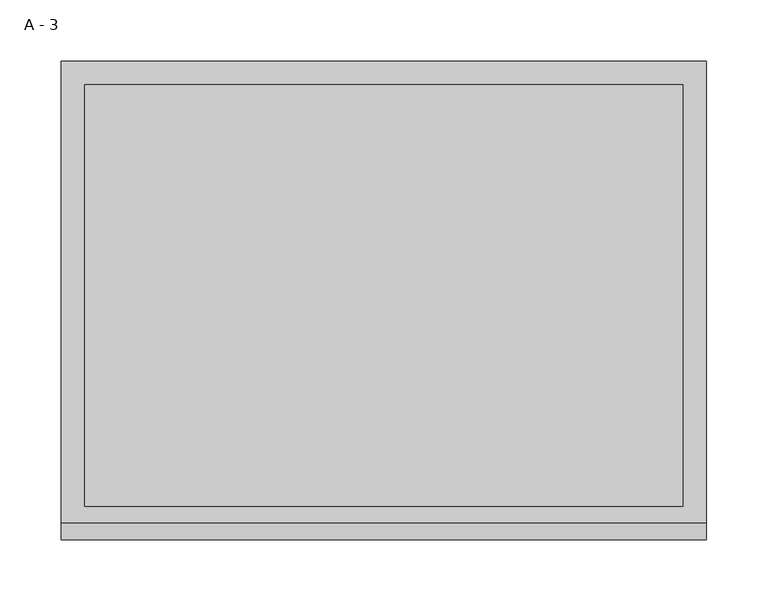
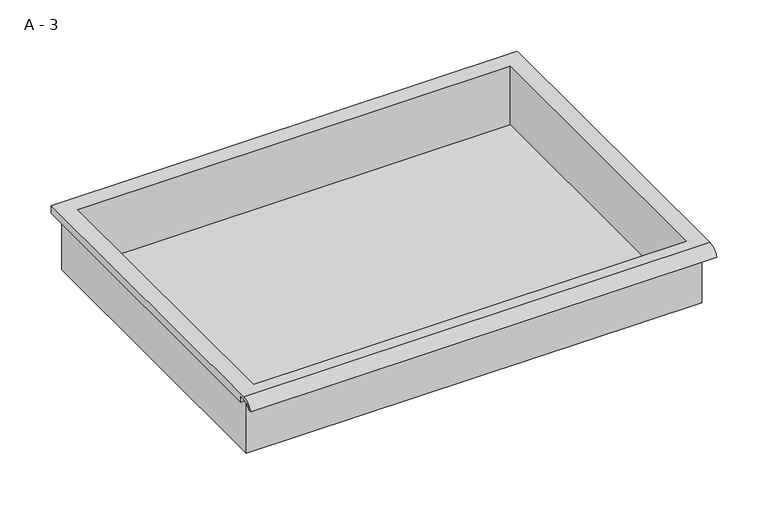
"""IFC4 building model written with IfcOpenShell, lengths in millimetres: furniture geometry, A - 3."""

from ifc_helpers import new_model, si_unit, frame, origin, place, context, project, spatial, polyline, circle_curve, source, transform, mapped, element, save
from ifc_brep_helpers import plane_surface, cylinder_surface, revolved_surface, advanced_brep


def a_3_02789125(model_context):
    return source(origin(), model_context, "Body", "AdvancedBrep", [
        advanced_brep(
        [(-257.1076517, -176.2125, 822.325), (257.2423483, -176.2125, 822.325), (257.2423483, -176.2125, 885.825), (263.5923483, -176.2125, 885.825), (263.5923483, -176.2125, 892.1321341), (-263.4576517, -176.2125, 892.1321341), (-263.4576517, -176.2125, 885.825), (-257.1076517, -176.2125, 885.825), (257.2423483, 185.7375, 822.325), (-257.1076517, 185.7375, 822.325), (-257.1076517, 185.7375, 885.825), (257.2423483, 185.7375, 885.825), (263.5923483, -181.6070544, 895.35), (263.5923483, 195.2625, 895.35), (-263.4576517, 195.2625, 895.35), (-263.4576517, -181.6070544, 895.35), (244.5423483, -168.275, 895.35), (-244.4076517, -168.275, 895.35), (-244.4076517, 176.2125, 895.35), (244.5423483, 176.2125, 895.35), (263.5923483, -195.2625, 885.825), (263.5923483, -191.8280601, 885.825), (263.5923483, -180.4714815, 892.1321341), (263.5923483, 195.2625, 885.825), (-263.4576517, 195.2625, 885.825), (-263.4576517, -180.4714815, 892.1321341), (-263.4576517, -191.8280601, 885.825), (-263.4576517, -195.2625, 885.825), (-244.4076517, -168.275, 825.3511719), (244.5423483, -168.275, 825.3511719), (244.5423483, 176.2125, 825.3511719), (-244.4076517, 176.2125, 825.3511719)],
        [
            (0, 1),
            (1, 2),
            (2, 3),
            (3, 4),
            (4, 5),
            (5, 6),
            (6, 7),
            (7, 0),
            (8, 9),
            (9, 10),
            (10, 11),
            (11, 8),
            (0, 9),
            (8, 1),
            (11, 2),
            (12, 13),
            (13, 14),
            (14, 15),
            (15, 12),
            (16, 17),
            (17, 18),
            (18, 19),
            (19, 16),
            (7, 10),
            (12, 20, circle_curve(frame((263.5923483, -181.6070544, 880.7989859), z_axis=(1.0, 0.0, 0.0), x_axis=(0.0, 1.0, 0.0)), 14.5510141)),
            (20, 21),
            (21, 22, circle_curve(frame((263.5923483, -181.6070544, 880.7989859), z_axis=(-1.0, 0.0, 0.0), x_axis=(0.0, 1.0, 0.0)), 11.3898979)),
            (22, 4),
            (3, 23),
            (23, 13),
            (14, 24),
            (24, 6),
            (5, 25),
            (25, 26, circle_curve(frame((-263.4576517, -181.6070544, 880.7989859), z_axis=(1.0, 0.0, 0.0), x_axis=(0.0, 1.0, 0.0)), 11.3898979)),
            (26, 27),
            (27, 15, circle_curve(frame((-263.4576517, -181.6070544, 880.7989859), z_axis=(-1.0, 0.0, 0.0), x_axis=(0.0, 1.0, 0.0)), 14.5510141)),
            (27, 20),
            (26, 21),
            (25, 22),
            (24, 23),
            (28, 29),
            (29, 30),
            (30, 31),
            (31, 28),
            (28, 17),
            (16, 29),
            (19, 30),
            (18, 31),
        ],
        [
            plane_surface(frame((257.2423483, -176.2125, 822.325), z_axis=(0.0, -1.0, 0.0), x_axis=(1.0, 0.0, 0.0))),
            plane_surface(frame((257.2423483, 185.7375, 822.325), z_axis=(0.0, 1.0, 0.0), x_axis=(-1.0, 0.0, 0.0))),
            plane_surface(frame((-257.1076517, -176.2125, 822.325), z_axis=(0.0, 0.0, -1.0), x_axis=(0.0, 1.0, 0.0))),
            plane_surface(frame((257.2423483, -176.2125, 822.325), z_axis=(1.0, 0.0, 0.0), x_axis=(0.0, 1.0, 0.0))),
            plane_surface(frame((257.2423483, -176.2125, 895.35), z_axis=(0.0, 0.0, 1.0), x_axis=(0.0, 1.0, 0.0))),
            plane_surface(frame((-257.1076517, -176.2125, 895.35), z_axis=(-1.0, 0.0, 0.0), x_axis=(0.0, 1.0, 0.0))),
            plane_surface(frame((263.5923483, 195.2625, 895.35), z_axis=(1.0, 0.0, 0.0), x_axis=(0.0, -1.0, 0.0))),
            plane_surface(frame((-263.4576517, 195.2625, 895.35), z_axis=(-1.0, 0.0, 0.0), x_axis=(0.0, 1.0, 0.0))),
            cylinder_surface(frame((-263.4576517, -181.6070544, 880.7989859), z_axis=(1.0, 0.0, 0.0), x_axis=(0.0, 1.0, 0.0)), 14.5510141),
            plane_surface(frame((263.5923483, -195.2625, 885.825), z_axis=(0.0, -7.291233251776929e-12, -1.0), x_axis=(-1.0, 0.0, 0.0))),
            revolved_surface(polyline([(-263.4576517, -170.21715650000002, 880.7989859), (263.59234829999997, -170.21715650000002, 880.7989859)]), (-263.4576517, -181.6070544, 880.7989859), (-1.0, 0.0, 0.0)),
            plane_surface(frame((263.5923483, -180.4714815, 892.1321341), z_axis=(0.0, -1.8020319608165788e-11, -1.0), x_axis=(-1.0, 0.0, 0.0))),
            plane_surface(frame((263.5923483, -176.2125, 885.825), z_axis=(0.0, 0.0, -1.0), x_axis=(-1.0, 0.0, 0.0))),
            plane_surface(frame((263.5923483, 195.2625, 885.825), z_axis=(0.0, 1.0, 0.0), x_axis=(-1.0, 0.0, 0.0))),
            plane_surface(frame((244.5423483, -168.275, 825.3511719), z_axis=(0.0, 0.0, 1.0), x_axis=(-1.0, 0.0, 0.0))),
            plane_surface(frame((-244.4076517, -168.275, 895.35), z_axis=(0.0, 1.0, 0.0), x_axis=(0.0, 0.0, -1.0))),
            plane_surface(frame((244.5423483, -168.275, 895.35), z_axis=(-1.0, 0.0, 0.0), x_axis=(0.0, 0.0, -1.0))),
            plane_surface(frame((244.5423483, 176.2125, 895.35), z_axis=(0.0, -1.0, 0.0), x_axis=(0.0, 0.0, -1.0))),
            plane_surface(frame((-244.4076517, 176.2125, 895.35), z_axis=(1.0, 0.0, 0.0), x_axis=(0.0, 0.0, -1.0))),
        ],
        [
            (0, [[1, 2, 3, 4, 5, 6, 7, 8]]),
            (1, [[9, 10, 11, 12]]),
            (2, [[-1, 13, -9, 14]]),
            (3, [[-14, -12, 15, -2]]),
            (4, [[16, 17, 18, 19], [20, 21, 22, 23]]),
            (5, [[-13, -8, 24, -10]]),
            (6, [[-16, 25, 26, 27, 28, -4, 29, 30]]),
            (7, [[31, 32, -6, 33, 34, 35, 36, -18]]),
            (8, [[-25, -19, -36, 37]]),
            (9, [[-26, -37, -35, 38]]),
            (10, [[-27, -38, -34, 39]]),
            (11, [[-28, -39, -33, -5]]),
            (12, [[-29, -3, -15, -11, -24, -7, -32, 40]]),
            (13, [[-30, -40, -31, -17]]),
            (14, [[41, 42, 43, 44]]),
            (15, [[-41, 45, -20, 46]]),
            (16, [[-42, -46, -23, 47]]),
            (17, [[-43, -47, -22, 48]]),
            (18, [[-44, -48, -21, -45]]),
        ],
    ),
    ])


if __name__ == "__main__":
    model = new_model("IFC4")
    model_context = context("Model", 3, world=origin())
    ifc_project = project(units=[si_unit("LENGTHUNIT", "METRE", prefix="MILLI")], contexts=[model_context])
    site = spatial("IfcSite", under=ifc_project)
    building = spatial("IfcBuilding", under=site)
    placement = place(None, origin())
    a_3_shape = a_3_02789125(model_context)
    element("IfcFurniture", 1, ObjectType="A - 3", at=placement, inside=building, context=model_context, shape_type="MappedRepresentation", body=[
        mapped(a_3_shape, transform((0.0, 0.0, 0.0), x_axis=(1.0, 0.0, 0.0), y_axis=(0.0, 1.0, 0.0), z_axis=(0.0, 0.0, 1.0))),
    ])
    save(model, "model.ifc")
